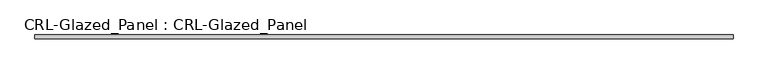
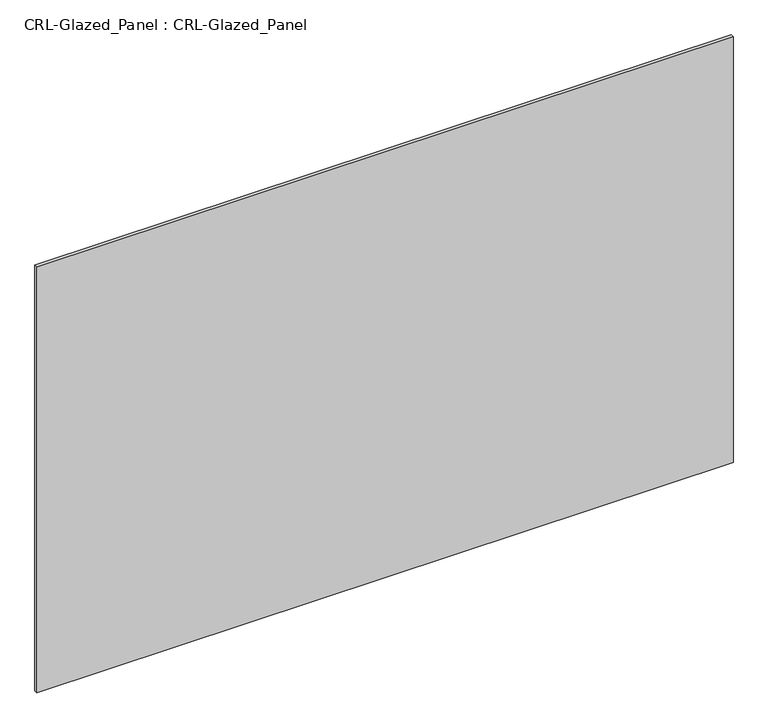
"""IFC4 building model written with IfcOpenShell, lengths in millimetres: plate geometry, CRL-Glazed_Panel : CRL-Glazed_Panel."""

from ifc_helpers import new_model, si_unit, origin, origin_with_axes, place, context, project, spatial, polyline, outline, extrude, source, transform, mapped, element, save


def crl_glazed_panel_crl_glazed_panel_74d76dd4(model_context):
    return source(origin(), model_context, "Body", "SweptSolid", [
        extrude(outline(polyline([(613.8333298, 3.1749999), (613.8333298, -3.1749999), (-613.8333298, -3.1749999), (-613.8333298, 3.1749999), (613.8333298, 3.1749999)])), origin_with_axes(), (0.0, 0.0, 1.0), 793.7627695),
    ])


if __name__ == "__main__":
    model = new_model("IFC4")
    model_context = context("Model", 3, world=origin())
    ifc_project = project(units=[si_unit("LENGTHUNIT", "METRE", prefix="MILLI")], contexts=[model_context])
    site = spatial("IfcSite", under=ifc_project)
    building = spatial("IfcBuilding", under=site)
    placement = place(None, origin())
    crl_glazed_panel_crl_glazed_panel_shape = crl_glazed_panel_crl_glazed_panel_74d76dd4(model_context)
    element("IfcPlate", 1, ObjectType="CRL-Glazed_Panel : CRL-Glazed_Panel", at=placement, inside=building, context=model_context, shape_type="MappedRepresentation", body=[
        mapped(crl_glazed_panel_crl_glazed_panel_shape, transform((0.0, 0.0, 0.0), x_axis=(1.0, 0.0, 0.0), y_axis=(0.0, 1.0, 0.0), z_axis=(0.0, 0.0, 1.0))),
    ])
    save(model, "model.ifc")
